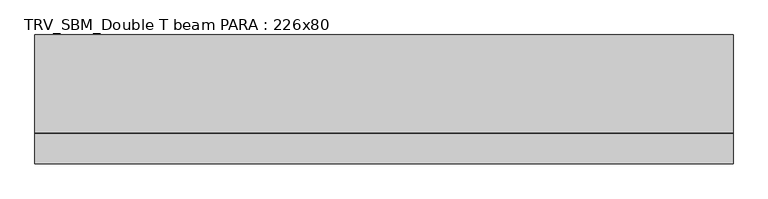
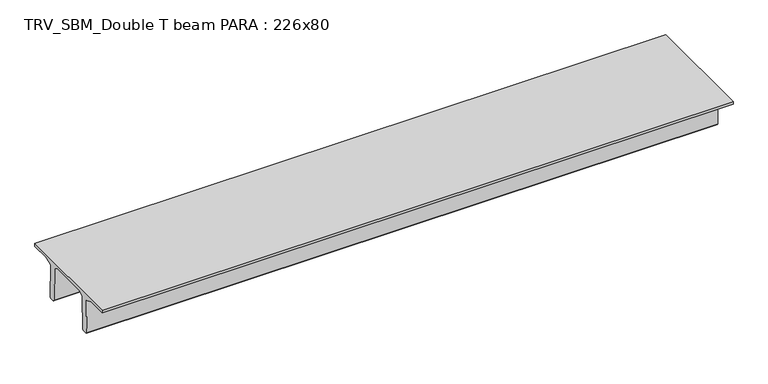
"""IFC4 building model written with IfcOpenShell, lengths in millimetres: beam geometry, TRV_SBM_Double T beam PARA : 226x80."""

from ifc_helpers import new_model, si_unit, frame, origin, place, context, project, spatial, polyline, outline, extrude, source, transform, mapped, element, save


def trv_sbm_double_t_beam_para_226x80_1ba46ede(model_context):
    return source(origin(), model_context, "Body", "SweptSolid", [
        extrude(outline(polyline([(352.1399239, 205.988519), (-382.1399239, 205.988519), (-485.0, 144.18395), (-501.9262559, -520.5206011), (-521.4056548, -540.0), (-611.4056548, -540.0), (-631.9887932, -520.5206011), (-615.2025683, 140.6523122), (-776.9153545, 205.988519), (-1145.0, 205.988519), (-1145.0, 260.0), (1115.0, 260.0), (1115.0, 205.988519), (746.9153545, 205.988519), (585.2025683, 140.6523122), (601.9887932, -520.5206011), (581.4056548, -540.0), (491.4056548, -540.0), (471.9262559, -520.5206011), (455.0, 144.18395), (352.1399239, 205.988519)])), frame((-6297.244404, 0.0, 0.0), z_axis=(1.0, 0.0, 0.0), x_axis=(0.0, 1.0, 0.0)), (0.0, 0.0, 1.0), 12258.1506725),
    ])


if __name__ == "__main__":
    model = new_model("IFC4")
    model_context = context("Model", 3, world=origin())
    ifc_project = project(units=[si_unit("LENGTHUNIT", "METRE", prefix="MILLI")], contexts=[model_context])
    site = spatial("IfcSite", under=ifc_project)
    building = spatial("IfcBuilding", under=site)
    placement = place(None, origin())
    trv_sbm_double_t_beam_para_226x80_shape = trv_sbm_double_t_beam_para_226x80_1ba46ede(model_context)
    element("IfcBeam", 1, ObjectType="TRV_SBM_Double T beam PARA : 226x80", at=placement, inside=building, context=model_context, shape_type="MappedRepresentation", body=[
        mapped(trv_sbm_double_t_beam_para_226x80_shape, transform((0.0, 0.0, 0.0), x_axis=(1.0, 0.0, 0.0), y_axis=(0.0, 1.0, 0.0), z_axis=(0.0, 0.0, 1.0))),
    ])
    save(model, "model.ifc")
